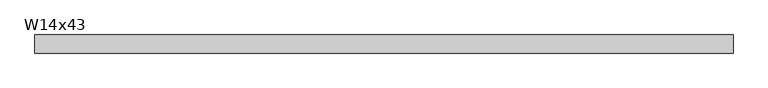
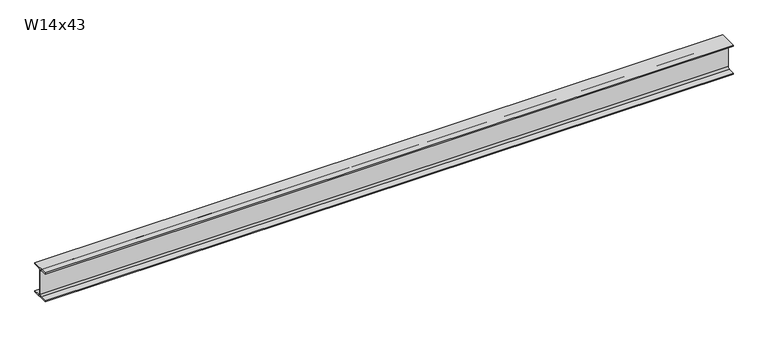
"""IFC4 building model written with IfcOpenShell, lengths in millimetres: beam geometry, W14x43."""

from ifc_helpers import new_model, si_unit, point, frame, frame_2d, origin, place, context, project, spatial, polyline, circle_curve, trimmed, segment, composite_curve, outline, extrude, source, transform, mapped, element, save


def w14x43_f88bd2a7(model_context):
    return source(origin(), model_context, "Body", "SweptSolid", [
        extrude(outline(composite_curve([segment(polyline([(101.6, -160.528), (101.6, -173.99), (-101.6, -173.99), (-101.6, -160.528), (-25.3365, -160.528)]), True, "CONTINUOUS"), segment(trimmed(circle_curve(frame_2d((-25.3365, -139.065)), 21.463), [point((-25.3365, -160.528))], [point((-3.8735, -139.065))], True, "CARTESIAN"), True, "CONTINUOUS"), segment(polyline([(-3.8735, -139.065), (-3.8735, 139.065)]), True, "CONTINUOUS"), segment(trimmed(circle_curve(frame_2d((-25.3365, 139.065)), 21.463), [point((-3.8735, 139.065))], [point((-25.3365, 160.528))], True, "CARTESIAN"), True, "CONTINUOUS"), segment(polyline([(-25.3365, 160.528), (-101.6, 160.528), (-101.6, 173.99), (101.6, 173.99), (101.6, 160.528), (25.3365, 160.528)]), True, "CONTINUOUS"), segment(trimmed(circle_curve(frame_2d((25.3365, 139.065)), 21.463), [point((25.3365, 160.528))], [point((3.8735, 139.065))], True, "CARTESIAN"), True, "CONTINUOUS"), segment(polyline([(3.8735, 139.065), (3.8735, -139.065)]), True, "CONTINUOUS"), segment(trimmed(circle_curve(frame_2d((25.3365, -139.065)), 21.463), [point((3.8735, -139.065))], [point((25.3365, -160.528))], True, "CARTESIAN"), True, "CONTINUOUS"), segment(polyline([(25.3365, -160.528), (101.6, -160.528)]), True, "CONTINUOUS")], self_intersect=False)), frame((-3949.7003027, 0.0, 0.0), z_axis=(1.0, 0.0, 0.0), x_axis=(0.0, 1.0, 0.0)), (0.0, 0.0, 1.0), 7809.9124166),
    ])


if __name__ == "__main__":
    model = new_model("IFC4")
    model_context = context("Model", 3, world=origin())
    ifc_project = project(units=[si_unit("LENGTHUNIT", "METRE", prefix="MILLI")], contexts=[model_context])
    site = spatial("IfcSite", under=ifc_project)
    building = spatial("IfcBuilding", under=site)
    placement = place(None, origin())
    w14x43_shape = w14x43_f88bd2a7(model_context)
    element("IfcBeam", 1, ObjectType="W14x43", at=placement, inside=building, context=model_context, shape_type="MappedRepresentation", body=[
        mapped(w14x43_shape, transform((0.0, 0.0, 0.0), x_axis=(1.0, 0.0, 0.0), y_axis=(0.0, 1.0, 0.0), z_axis=(0.0, 0.0, 1.0))),
    ])
    save(model, "model.ifc")
